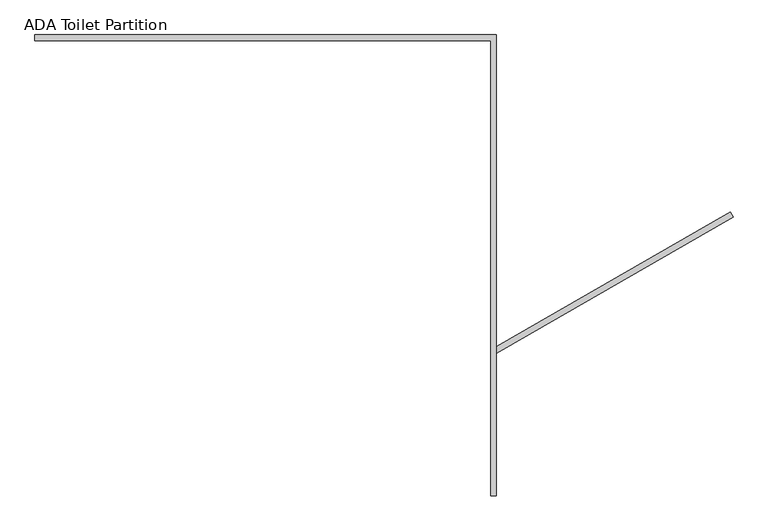
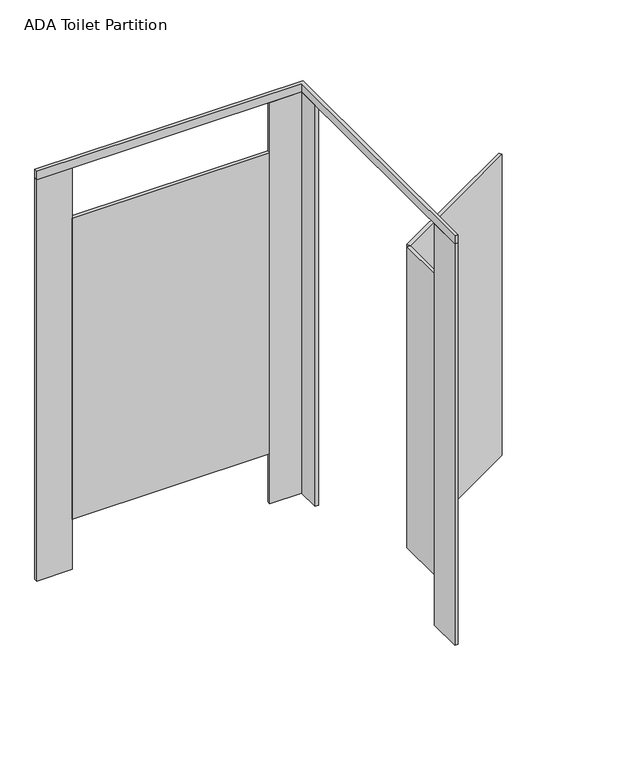
"""IFC4 building model written with IfcOpenShell, lengths in millimetres: proxy geometry, ADA Toilet Partition."""

from ifc_helpers import new_model, si_unit, frame, origin, origin_with_axes, place, context, project, spatial, polyline, outline, extrude, source, transform, mapped, element, save


def ada_toilet_partition_85446ccf(model_context):
    return source(origin(), model_context, "Body", "SweptSolid", [
        extrude(outline(polyline([(2325.4186292, 949.9477839), (2334.9436292, 933.45), (1543.05, 476.25), (1533.525, 492.7477839), (2325.4186292, 949.9477839)])), frame((0.0, 0.0, 304.8), z_axis=(0.0, 0.0, 1.0), x_axis=(1.0, 0.0, 0.0)), (0.0, 0.0, 1.0), 1828.8),
        extrude(outline(polyline([(1524.0, 1524.0), (0.0, 1524.0), (0.0, 1543.05), (1543.05, 1543.05), (1543.05, 0.0), (1524.0, 0.0), (1524.0, 1524.0)])), frame((0.0, 0.0, 2438.4), z_axis=(0.0, 0.0, 1.0), x_axis=(1.0, 0.0, 0.0)), (0.0, 0.0, 1.0), 50.8),
        extrude(outline(polyline([(1543.05, 1543.05), (1543.05, 1390.65), (1524.0, 1390.65), (1524.0, 1524.0), (1339.85, 1524.0), (1339.85, 1543.05), (1543.05, 1543.05)])), origin_with_axes(), (0.0, 0.0, 1.0), 2438.4),
        extrude(outline(polyline([(203.2, 1543.05), (203.2, 1524.0), (0.0, 1524.0), (0.0, 1543.05), (203.2, 1543.05)])), origin_with_axes(), (0.0, 0.0, 1.0), 2438.4),
        extrude(outline(polyline([(1524.0, 203.2), (1543.05, 203.2), (1543.05, 0.0), (1524.0, 0.0), (1524.0, 203.2)])), origin_with_axes(), (0.0, 0.0, 1.0), 2438.4),
        extrude(outline(polyline([(203.2, 1543.05), (1339.85, 1543.05), (1339.85, 1524.0), (203.2, 1524.0), (203.2, 1543.05)])), frame((0.0, 0.0, 304.8), z_axis=(0.0, 0.0, 1.0), x_axis=(1.0, 0.0, 0.0)), (0.0, 0.0, 1.0), 1828.8),
        extrude(outline(polyline([(1524.0, 203.2), (1524.0, 476.25), (1543.05, 476.25), (1543.05, 203.2), (1524.0, 203.2)])), frame((0.0, 0.0, 304.8), z_axis=(0.0, 0.0, 1.0), x_axis=(1.0, 0.0, 0.0)), (0.0, 0.0, 1.0), 1828.8),
    ])


if __name__ == "__main__":
    model = new_model("IFC4")
    model_context = context("Model", 3, world=origin())
    ifc_project = project(units=[si_unit("LENGTHUNIT", "METRE", prefix="MILLI")], contexts=[model_context])
    site = spatial("IfcSite", under=ifc_project)
    building = spatial("IfcBuilding", under=site)
    placement = place(None, origin())
    ada_toilet_partition_shape = ada_toilet_partition_85446ccf(model_context)
    element("IfcBuildingElementProxy", 1, Name="ADA Toilet Partition", ObjectType="ADA Toilet Partition", at=placement, inside=building, context=model_context, shape_type="MappedRepresentation", body=[
        mapped(ada_toilet_partition_shape, transform((0.0, 0.0, 0.0), x_axis=(1.0, 0.0, 0.0), y_axis=(0.0, 1.0, 0.0), z_axis=(0.0, 0.0, 1.0))),
    ])
    save(model, "model.ifc")
